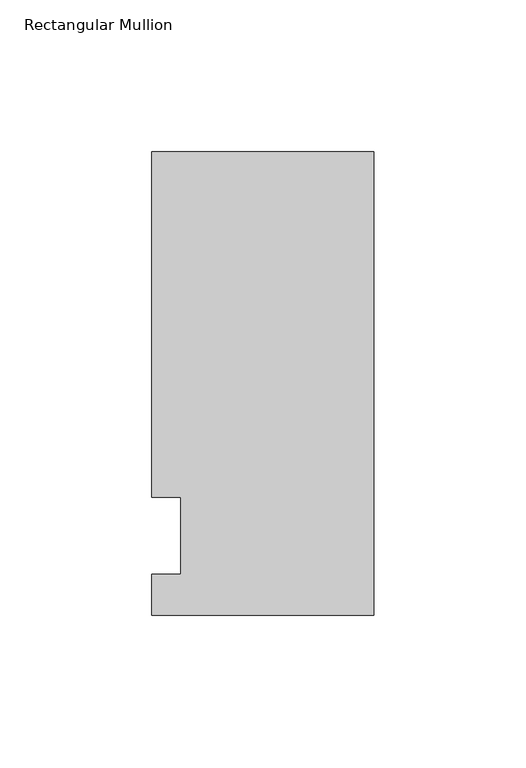
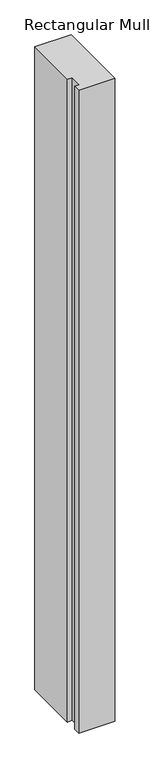
"""IFC4 building model written with IfcOpenShell, lengths in millimetres: member geometry, Rectangular Mullion."""

from ifc_helpers import new_model, si_unit, frame, origin, place, context, project, spatial, polyline, outline, extrude, source, transform, mapped, element, save


def rectangular_mullion_4e483896(model_context):
    return source(origin(), model_context, "Body", "SweptSolid", [
        extrude(outline(polyline([(-36.5125, -26.19375), (-36.5125, -12.7), (-26.9875, -12.7), (-26.9875, 12.7), (-36.5125, 12.7), (-36.5125, 126.20625), (36.5125, 126.20625), (36.5125, -26.19375), (-36.5125, -26.19375)])), frame((0.0, 0.0, -1371.6), z_axis=(0.0, 0.0, 1.0), x_axis=(1.0, 0.0, 0.0)), (0.0, 0.0, 1.0), 1371.6),
    ])


if __name__ == "__main__":
    model = new_model("IFC4")
    model_context = context("Model", 3, world=origin())
    ifc_project = project(units=[si_unit("LENGTHUNIT", "METRE", prefix="MILLI")], contexts=[model_context])
    site = spatial("IfcSite", under=ifc_project)
    building = spatial("IfcBuilding", under=site)
    placement = place(None, origin())
    rectangular_mullion_shape = rectangular_mullion_4e483896(model_context)
    element("IfcMember", 1, ObjectType="Rectangular Mullion", at=placement, inside=building, context=model_context, shape_type="MappedRepresentation", body=[
        mapped(rectangular_mullion_shape, transform((0.0, 0.0, 0.0), x_axis=(1.0, 0.0, 0.0), y_axis=(0.0, 1.0, 0.0), z_axis=(0.0, 0.0, 1.0))),
    ])
    save(model, "model.ifc")
